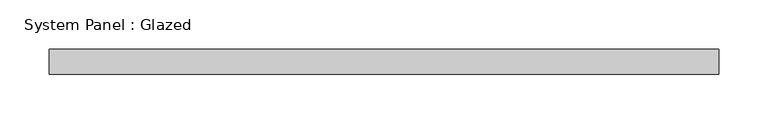
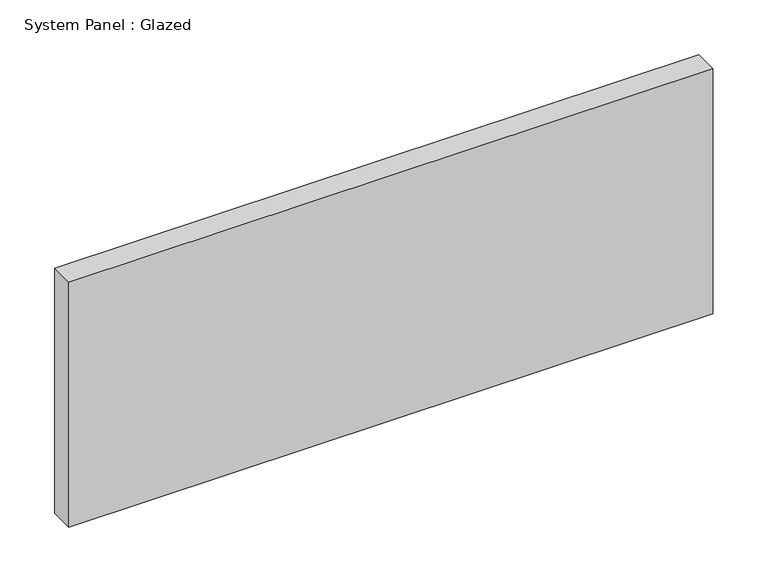
"""IFC4 building model written with IfcOpenShell, lengths in millimetres: plate geometry, System Panel : Glazed."""

from ifc_helpers import new_model, si_unit, origin, origin_with_axes, place, context, project, spatial, polyline, outline, extrude, source, transform, mapped, element, save


def system_panel_glazed_0c0f1b4f(model_context):
    return source(origin(), model_context, "Body", "SweptSolid", [
        extrude(outline(polyline([(339.725, 19.05), (-339.725, 19.05), (-339.725, 44.45), (339.725, 44.45), (339.725, 19.05)])), origin_with_axes(), (0.0, 0.0, 1.0), 273.05),
    ])


if __name__ == "__main__":
    model = new_model("IFC4")
    model_context = context("Model", 3, world=origin())
    ifc_project = project(units=[si_unit("LENGTHUNIT", "METRE", prefix="MILLI")], contexts=[model_context])
    site = spatial("IfcSite", under=ifc_project)
    building = spatial("IfcBuilding", under=site)
    placement = place(None, origin())
    system_panel_glazed_shape = system_panel_glazed_0c0f1b4f(model_context)
    element("IfcPlate", 1, ObjectType="System Panel : Glazed", at=placement, inside=building, context=model_context, shape_type="MappedRepresentation", body=[
        mapped(system_panel_glazed_shape, transform((0.0, 0.0, 0.0), x_axis=(1.0, 0.0, 0.0), y_axis=(0.0, 1.0, 0.0), z_axis=(0.0, 0.0, 1.0))),
    ])
    save(model, "model.ifc")
